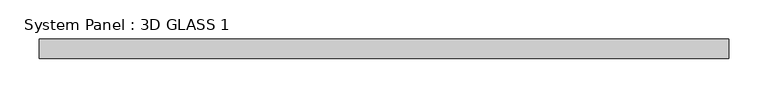
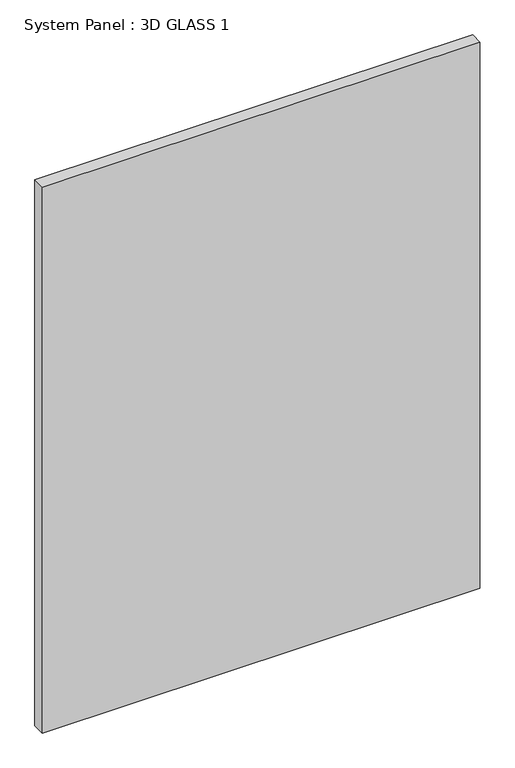
"""IFC4 building model written with IfcOpenShell, lengths in millimetres: plate geometry, System Panel : 3D GLASS 1."""

from ifc_helpers import new_model, si_unit, origin, origin_with_axes, place, context, project, spatial, polyline, outline, extrude, source, transform, mapped, element, save


def system_panel_3d_glass_1_719684f6(model_context):
    return source(origin(), model_context, "Body", "SweptSolid", [
        extrude(outline(polyline([(440.928125, -12.7), (-440.928125, -12.7), (-440.928125, 12.7), (440.928125, 12.7), (440.928125, -12.7)])), origin_with_axes(), (0.0, 0.0, 1.0), 1162.9845854),
    ])


if __name__ == "__main__":
    model = new_model("IFC4")
    model_context = context("Model", 3, world=origin())
    ifc_project = project(units=[si_unit("LENGTHUNIT", "METRE", prefix="MILLI")], contexts=[model_context])
    site = spatial("IfcSite", under=ifc_project)
    building = spatial("IfcBuilding", under=site)
    placement = place(None, origin())
    system_panel_3d_glass_1_shape = system_panel_3d_glass_1_719684f6(model_context)
    element("IfcPlate", 1, ObjectType="System Panel : 3D GLASS 1", at=placement, inside=building, context=model_context, shape_type="MappedRepresentation", body=[
        mapped(system_panel_3d_glass_1_shape, transform((0.0, 0.0, 0.0), x_axis=(1.0, 0.0, 0.0), y_axis=(0.0, 1.0, 0.0), z_axis=(0.0, 0.0, 1.0))),
    ])
    save(model, "model.ifc")
